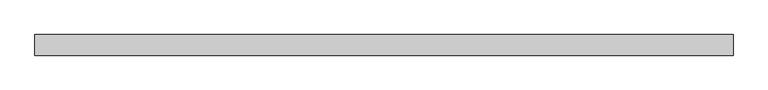
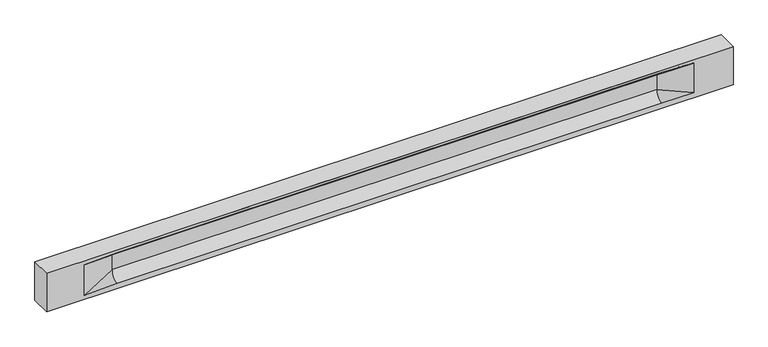
"""IFC4 building model written with IfcOpenShell, lengths in millimetres: beam geometry."""

import ifcopenshell
import ifcopenshell.guid

model = None  # the IFC model being written
_history = None  # IfcOwnerHistory: only IFC2X3 demands one
_inside = {}  # id of a spatial element -> (the spatial element, [elements in it])
_under = {}  # id of a project, library or spatial element -> (it, [spatial elements below it])
_declared = {}  # id of a project -> (the project, [libraries it declares])
_typed = {}  # id of a type object -> (the type object, [elements of that type])
_made_of = {}  # id of a material, layer set ... -> (it, [elements and type objects made of it])


def new_model(schema):
    """Start an empty IFC model of exactly this schema.

    Asked for "IFC4X3", IfcOpenShell would pick the latest addendum, in which some entities
    have other attributes; the version numbers below select the first issue.
    IFC2X3 requires an IfcOwnerHistory on every rooted entity: one is made here for all.
    """
    global model, _history
    if schema == "IFC4X3":
        model = ifcopenshell.file(schema_version=(4, 3, 0, 0))
    else:
        model = ifcopenshell.file(schema=schema)
    _inside.clear()
    _under.clear()
    _declared.clear()
    _typed.clear()
    _made_of.clear()
    _history = None
    if model.schema == "IFC2X3":
        org = make("IfcOrganization", Name="unknown")
        user = make(
            "IfcPersonAndOrganization",
            ThePerson=make("IfcPerson", FamilyName="unknown"),
            TheOrganization=org,
        )
        app = make(
            "IfcApplication",
            ApplicationDeveloper=org,
            Version="unknown",
            ApplicationFullName="unknown",
            ApplicationIdentifier="unknown",
        )
        _history = make(
            "IfcOwnerHistory",
            OwningUser=user,
            OwningApplication=app,
            ChangeAction="ADDED",
            CreationDate=0,
        )
    return model


def make(cls, **values):
    """One entity of the class cls with the attributes given. An attribute that is None is left unset."""
    return model.create_entity(
        cls, **{name: value for name, value in values.items() if value is not None}
    )


def rooted(cls, **values):
    """An entity with a GlobalId (a new one), such as an element, a storey or a relation."""
    return make(cls, GlobalId=ifcopenshell.guid.new(), OwnerHistory=_history, **values)


def si_unit(unit_type, name, prefix=None):
    """IfcSIUnit, for example si_unit("LENGTHUNIT", "METRE", prefix="MILLI")."""
    return make("IfcSIUnit", UnitType=unit_type, Prefix=prefix, Name=name)


def assignment(units):
    """IfcUnitAssignment: the units of a project."""
    return None if units is None else make("IfcUnitAssignment", Units=units)


def point(xyz):
    """IfcCartesianPoint."""
    return None if xyz is None else make("IfcCartesianPoint", Coordinates=xyz)


def direction(xyz):
    """IfcDirection."""
    return None if xyz is None else make("IfcDirection", DirectionRatios=xyz)


def frame(location, z_axis=None, x_axis=None):
    """IfcAxis2Placement3D, a coordinate frame: its origin and axes. An axis left out is left unset."""
    return make(
        "IfcAxis2Placement3D",
        Location=point(location),
        Axis=direction(z_axis),
        RefDirection=direction(x_axis),
    )


def origin():
    """The frame at (0, 0, 0) with its axes left unset."""
    return frame((0.0, 0.0, 0.0))


def place(relative_to, where):
    """IfcLocalPlacement: puts the frame where relative to a parent placement (None: the world)."""
    return make(
        "IfcLocalPlacement", PlacementRelTo=relative_to, RelativePlacement=where
    )


def context(
    kind, dimensions, precision=None, world=None, true_north=None, identifier=None
):
    """IfcGeometricRepresentationContext, for example the 3D "Model" context."""
    return make(
        "IfcGeometricRepresentationContext",
        ContextIdentifier=identifier,
        ContextType=kind,
        CoordinateSpaceDimension=dimensions,
        Precision=precision,
        WorldCoordinateSystem=world,
        TrueNorth=true_north,
    )


def project(units=None, contexts=None):
    """IfcProject with its units and contexts."""
    return rooted(
        "IfcProject",
        Name="project",
        RepresentationContexts=contexts,
        UnitsInContext=assignment(units),
    )


def spatial(cls, under=None, at=None, **own):
    """A site, building, storey or space (cls), placed at a placement, below another one or the project."""
    s = rooted(cls, ObjectPlacement=at, **own)
    if under is not None:
        _under.setdefault(under.id(), (under, []))[1].append(s)
    return s


def polyline(points):
    """IfcPolyline through the points."""
    return make("IfcPolyline", Points=[point(p) for p in points])


def circle_curve(where, radius):
    """IfcCircle in the frame where."""
    return make("IfcCircle", Position=where, Radius=radius)


def shape(context_of_items, identifier, shape_type, items):
    """IfcShapeRepresentation: the items that make up one representation, for example the "Body"."""
    return make(
        "IfcShapeRepresentation",
        ContextOfItems=context_of_items,
        RepresentationIdentifier=identifier,
        RepresentationType=shape_type,
        Items=items,
    )


def source(mapping_origin, context_of_items, identifier, shape_type, items):
    """IfcRepresentationMap: a shape defined once, which mapped items show again and again."""
    return make(
        "IfcRepresentationMap",
        MappingOrigin=mapping_origin,
        MappedRepresentation=shape(context_of_items, identifier, shape_type, items),
    )


def transform(
    local_origin,
    x_axis=None,
    y_axis=None,
    z_axis=None,
    scale=None,
    scale2=None,
    scale3=None,
    uniform=True,
):
    """IfcCartesianTransformationOperator3D, or its non-uniform kind. x_axis, y_axis, z_axis: its Axis1, 2, 3."""
    if uniform:
        return make(
            "IfcCartesianTransformationOperator3D",
            Axis1=direction(x_axis),
            Axis2=direction(y_axis),
            LocalOrigin=point(local_origin),
            Scale=scale,
            Axis3=direction(z_axis),
        )
    return make(
        "IfcCartesianTransformationOperator3DnonUniform",
        Axis1=direction(x_axis),
        Axis2=direction(y_axis),
        LocalOrigin=point(local_origin),
        Scale=scale,
        Axis3=direction(z_axis),
        Scale2=scale2,
        Scale3=scale3,
    )


def mapped(mapping_source, mapping_target):
    """IfcMappedItem: shows the shape of a source again, moved by a transform."""
    return make(
        "IfcMappedItem", MappingSource=mapping_source, MappingTarget=mapping_target
    )


def made_of(thing, what):
    """Note that an element or type object is made of a material, layer set ...; save() writes the relation."""
    if what is not None:
        _made_of.setdefault(what.id(), (what, []))[1].append(thing)
    return thing


def element(
    cls,
    number,
    at=None,
    inside=None,
    cuts=None,
    type_object=None,
    material=None,
    context=None,
    identifier="Body",
    shape_type=None,
    held_by="IfcProductDefinitionShape",
    body=None,
    shapes=None,
    **own,
):
    """One element of the class cls, such as IfcWall. Its Tag is "e" and its number.

    at: its placement. inside: the storey or other place that contains it. cuts: it is an
    opening in that element (IfcRelVoidsElement). A single representation is given by context,
    identifier, shape_type and body (its items); several are given by shapes. held_by: the class
    of the entity that holds the representations. save() writes the other relations.
    """
    e = rooted(cls, Tag="e%d" % number, ObjectPlacement=at, **own)
    if body is not None:
        shapes = [shape(context, identifier, shape_type, body)]
    if shapes is not None:
        e.Representation = make(held_by, Representations=shapes)
    if inside is not None:
        _inside.setdefault(inside.id(), (inside, []))[1].append(e)
    if cuts is not None:
        rooted(
            "IfcRelVoidsElement", RelatingBuildingElement=cuts, RelatedOpeningElement=e
        )
    if type_object is not None:
        _typed.setdefault(type_object.id(), (type_object, []))[1].append(e)
    return made_of(e, material)


def aggregate(whole, parts):
    """IfcRelAggregates: a whole, such as a stair, and the parts it consists of."""
    return rooted("IfcRelAggregates", RelatingObject=whole, RelatedObjects=parts)


def save(model, path):
    """Write the relations noted so far, then the file.

    IfcRelAggregates (storeys below a building ...), IfcRelContainedInSpatialStructure (elements
    in a storey), IfcRelDefinesByType, IfcRelAssociatesMaterial and IfcRelDeclares: one each for
    every whole, place, type object, material and project.
    """
    for whole, parts in _under.values():
        aggregate(whole, parts)
    for where, things in _inside.values():
        rooted(
            "IfcRelContainedInSpatialStructure",
            RelatedElements=things,
            RelatingStructure=where,
        )
    for kind, things in _typed.values():
        rooted("IfcRelDefinesByType", RelatedObjects=things, RelatingType=kind)
    for what, things in _made_of.values():
        rooted("IfcRelAssociatesMaterial", RelatedObjects=things, RelatingMaterial=what)
    for by, libraries in _declared.values():
        rooted("IfcRelDeclares", RelatingContext=by, RelatedDefinitions=libraries)
    model.write(path)


def plane_surface(at):
    """IfcPlane: the flat surface through the origin of the frame at, square to its z axis."""
    return make("IfcPlane", Position=at)


def revolved_surface(curve, axis_point, axis_direction):
    """IfcSurfaceOfRevolution: the curve turned about the line through axis_point along axis_direction."""
    return make(
        "IfcSurfaceOfRevolution",
        SweptCurve=make("IfcArbitraryOpenProfileDef", ProfileType="CURVE", Curve=curve),
        AxisPosition=make("IfcAxis1Placement", Location=point(axis_point), Axis=direction(axis_direction)),
    )


def spline_surface(u_degree, v_degree, points, u_multiplicities, v_multiplicities, u_knots, v_knots, weights=None):
    """IfcBSplineSurfaceWithKnots; with weights, IfcRationalBSplineSurfaceWithKnots. points: one row for each step in u."""
    own = dict(
        UDegree=u_degree,
        VDegree=v_degree,
        ControlPointsList=[[point(p) for p in row] for row in points],
        SurfaceForm="UNSPECIFIED",
        UClosed=False,
        VClosed=False,
        SelfIntersect=False,
        UMultiplicities=u_multiplicities,
        VMultiplicities=v_multiplicities,
        UKnots=u_knots,
        VKnots=v_knots,
        KnotSpec="UNSPECIFIED",
    )
    if weights is None:
        return make("IfcBSplineSurfaceWithKnots", **own)
    return make("IfcRationalBSplineSurfaceWithKnots", WeightsData=weights, **own)


def advanced_brep(points, edges, surfaces, faces):
    """IfcAdvancedBrep: a solid bounded by faces that lie on surfaces and meet in shared edges.

    An edge is (start, end): straight between two places in points (the first is 0);
    or (start, end, curve); or (start, end, curve, False) where it runs against its curve.
    A face is (place in surfaces, loops), or (place, loops, False) where it looks against
    its surface's normal. A loop lists edges by number (the first is 1), with a minus sign
    where the edge is run from its end to its start. The first loop is the outer one.
    """
    corners = [point(p) for p in points]
    vertices = [make("IfcVertexPoint", VertexGeometry=c) for c in corners]
    made = []
    for start, end, *more in edges:
        made.append(
            make(
                "IfcEdgeCurve",
                EdgeStart=vertices[start],
                EdgeEnd=vertices[end],
                EdgeGeometry=more[0] if more else make("IfcPolyline", Points=[corners[start], corners[end]]),
                SameSense=more[1] if len(more) > 1 else True,
            )
        )
    hull = []
    for where, loops, *sense in faces:
        bounds = []
        for j, loop in enumerate(loops):
            ring = [make("IfcOrientedEdge", EdgeElement=made[abs(k) - 1], Orientation=k > 0) for k in loop]
            bounds.append(
                make(
                    "IfcFaceOuterBound" if j == 0 else "IfcFaceBound",
                    Bound=make("IfcEdgeLoop", EdgeList=ring),
                    Orientation=True,
                )
            )
        hull.append(make("IfcAdvancedFace", Bounds=bounds, FaceSurface=surfaces[where], SameSense=sense[0] if sense else True))
    return make("IfcAdvancedBrep", Outer=make("IfcClosedShell", CfsFaces=hull))


def beam_54e67090(model_context):
    return source(origin(), model_context, "Body", "AdvancedBrep", [
        advanced_brep(
        [(8469.0, -250.0, 500.0), (8469.0, -250.0, -500.0), (8469.0, 250.0, -500.0), (8469.0, 250.0, 500.0), (-8469.0, -250.0, 500.0), (-8469.0, -250.0, -500.0), (7494.0, -250.0, -362.0), (6694.0, -250.0, -360.0), (-6739.0, -250.0, -360.0), (-7539.0, -250.0, -400.0), (-7539.0, -250.0, 400.0), (-6739.0, -250.0, 435.0), (6694.0, -250.0, 435.0), (7494.0, -250.0, 400.0), (-8469.0, 250.0, -500.0), (-8469.0, 250.0, 500.0), (7494.0, 250.0, 400.0), (6694.0, 250.0, 435.0), (-6739.0, 250.0, 435.0), (-7539.0, 250.0, 400.0), (-7539.0, 250.0, -400.0), (-6739.0, 250.0, -360.0), (6694.0, 250.0, -360.0), (7494.0, 250.0, -362.0), (6694.0, 155.0, 405.0), (-6739.0, 155.0, 405.0), (6694.0, 60.0, 262.777021), (-6739.0, 60.0, 262.777021), (6694.0, 60.0, -120.0), (-6739.0, 60.0, -120.0), (6694.0, -60.0, -120.0), (-6739.0, -60.0, -120.0), (6694.0, -60.0, 262.777021), (-6739.0, -60.0, 262.777021), (6694.0, -155.0, 405.0), (-6739.0, -155.0, 405.0)],
        [
            (0, 1),
            (1, 2),
            (2, 3),
            (3, 0),
            (0, 4),
            (4, 5),
            (5, 1),
            (6, 7),
            (7, 8),
            (8, 9),
            (9, 10),
            (10, 11),
            (11, 12),
            (12, 13),
            (13, 6),
            (5, 14),
            (14, 2),
            (14, 15),
            (15, 3),
            (16, 17),
            (17, 18),
            (18, 19),
            (19, 20),
            (20, 21),
            (21, 22),
            (22, 23),
            (23, 16),
            (15, 4),
            (17, 24),
            (24, 25),
            (25, 18),
            (24, 26, circle_curve(frame((6694.0, 213.9598725, 262.777021), z_axis=(1.0, 0.0, 0.0), x_axis=(0.0, 1.0, 0.0)), 153.9598725)),
            (26, 27),
            (27, 25, circle_curve(frame((-6739.0, 213.9598725, 262.777021), z_axis=(-1.0, 0.0, 0.0), x_axis=(0.0, 1.0, 0.0)), 153.9598725)),
            (26, 28),
            (28, 29),
            (29, 27),
            (28, 22, circle_curve(frame((6694.0, 306.5789474, -120.0), z_axis=(1.0, 0.0, 0.0), x_axis=(0.0, 1.0, 0.0)), 246.5789474)),
            (21, 29, circle_curve(frame((-6739.0, 306.5789474, -120.0), z_axis=(-1.0, 0.0, 0.0), x_axis=(0.0, 1.0, 0.0)), 246.5789474)),
            (7, 30, circle_curve(frame((6694.0, -306.5789474, -120.0), z_axis=(1.0, 0.0, 0.0), x_axis=(0.0, 1.0, 0.0)), 246.5789474)),
            (30, 31),
            (31, 8, circle_curve(frame((-6739.0, -306.5789474, -120.0), z_axis=(-1.0, 0.0, 0.0), x_axis=(0.0, 1.0, 0.0)), 246.5789474)),
            (30, 32),
            (32, 33),
            (33, 31),
            (32, 34, circle_curve(frame((6694.0, -213.9598725, 262.777021), z_axis=(1.0, 0.0, 0.0), x_axis=(0.0, 1.0, 0.0)), 153.9598725)),
            (34, 35),
            (35, 33, circle_curve(frame((-6739.0, -213.9598725, 262.777021), z_axis=(-1.0, 0.0, 0.0), x_axis=(0.0, 1.0, 0.0)), 153.9598725)),
            (34, 12),
            (11, 35),
            (27, 19),
            (19, 25),
            (10, 35),
            (10, 33),
            (9, 31),
            (20, 29),
            (34, 13),
            (32, 13),
            (30, 6),
            (28, 23),
            (26, 16),
            (24, 16),
        ],
        [
            plane_surface(frame((8469.0, 0.0, 0.0), z_axis=(1.0, 0.0, 0.0), x_axis=(0.0, 0.0, 1.0))),
            plane_surface(frame((8469.0, -250.0, 500.0), z_axis=(0.0, -1.0, 0.0), x_axis=(-1.0, 0.0, 0.0))),
            plane_surface(frame((8469.0, -250.0, -500.0), z_axis=(0.0, 0.0, -1.0), x_axis=(-1.0, 0.0, 0.0))),
            plane_surface(frame((8469.0, 250.0, -500.0), z_axis=(0.0, 1.0, 0.0), x_axis=(-1.0, 0.0, 0.0))),
            plane_surface(frame((8469.0, 250.0, 500.0), z_axis=(0.0, 0.0, 1.0), x_axis=(-1.0, 0.0, 0.0))),
            plane_surface(frame((-6739.0, 250.0, 435.0), z_axis=(0.0, 0.30113136793710954, -0.9535826651341378), x_axis=(1.0, 0.0, 0.0))),
            revolved_surface(polyline([(6694.0, 367.919745, 262.777021), (-6739.0, 367.919745, 262.777021)]), (-6739.0, 213.9598725, 262.777021), (1.0, 0.0, 0.0)),
            plane_surface(frame((-6739.0, 60.0, 262.777021), z_axis=(0.0, 1.0, 0.0), x_axis=(1.0, 0.0, 0.0))),
            revolved_surface(polyline([(6694.0, 553.1578948, -120.0), (-6739.0, 553.1578948, -120.0)]), (-6739.0, 306.5789474, -120.0), (1.0, 0.0, 0.0)),
            revolved_surface(polyline([(6694.0, -60.0, -120.0), (-6739.0, -60.0, -120.0)]), (-6739.0, -306.5789474, -120.0), (1.0, 0.0, 0.0)),
            plane_surface(frame((-6739.0, -60.0, -120.0), z_axis=(0.0, -1.0, 0.0), x_axis=(1.0, 0.0, 0.0))),
            revolved_surface(polyline([(6694.0, -60.0, 262.777021), (-6739.0, -60.0, 262.777021)]), (-6739.0, -213.9598725, 262.777021), (1.0, 0.0, 0.0)),
            plane_surface(frame((-6739.0, -155.0, 405.0), z_axis=(0.0, -0.30113136793710693, -0.9535826651341387), x_axis=(1.0, 0.0, 0.0))),
            spline_surface(2, 1, [[(-7539.0, 250.0, 400.0), (-6739.0, 60.0, 262.777021)], [(-7539.0, 250.0, 400.0), (-6739.0, 59.99999995452379, 365.6168572954922)], [(-7539.0, 250.0, 400.0), (-6739.0, 155.0, 405.0)]], [3, 3], [2, 2], [0.0, 1.0], [0.0, 1.0], weights=[[1.0, 1.0], [0.8315515921160737, 0.8315515921160737], [1.0, 1.0]]),
            plane_surface(frame((-7539.0, 250.0, 400.0), z_axis=(0.041682982855687487, 0.30086965068766386, -0.9527538938442265), x_axis=(0.0, 0.9535826651341378, 0.30113136793710954))),
            plane_surface(frame((-7539.0, -250.0, 400.0), z_axis=(0.041682982855687514, -0.30086965068766125, -0.9527538938442274), x_axis=(0.0, 0.9535826651341387, -0.30113136793710693))),
            spline_surface(2, 1, [[(-7539.0, -250.0, 400.0), (-6739.0, -155.0, 405.0)], [(-7539.0, -250.0, 400.0), (-6739.0, -60.00000008030692, 365.6168572114734)], [(-7539.0, -250.0, 400.0), (-6739.0, -60.0, 262.777021)]], [3, 3], [2, 2], [0.0, 1.0], [0.0, 1.0], weights=[[1.0, 1.0], [0.8315515924557569, 0.8315515924557569], [1.0, 1.0]]),
            plane_surface(frame((-7539.0, -250.0, 0.0), z_axis=(0.23107243079589818, -0.97293655071956, 0.0), x_axis=(0.0, 0.0, -1.0))),
            spline_surface(2, 1, [[(-7539.0, -250.0, -400.0), (-6739.0, -60.0, -120.0)], [(-7539.0, -250.0, -400.0), (-6739.0, -59.99999998020837, -315.20833333333337)], [(-7539.0, -250.0, -400.0), (-6739.0, -250.0, -360.0)]], [3, 3], [2, 2], [0.0, 1.0], [0.0, 1.0], weights=[[1.0, 1.0], [0.7840458244617614, 0.7840458244617614], [1.0, 1.0]]),
            spline_surface(2, 1, [[(-7539.0, 250.0, -400.0), (-6739.0, 250.0, -360.0)], [(-7539.0, 250.0, -400.0), (-6739.0, 60.00000002887427, -315.20833329480604)], [(-7539.0, 250.0, -400.0), (-6739.0, 60.0, -120.0)]], [3, 3], [2, 2], [0.0, 1.0], [0.0, 1.0], weights=[[1.0, 1.0], [0.7840458245391329, 0.7840458245391329], [1.0, 1.0]]),
            plane_surface(frame((-7539.0, 250.0, 0.0), z_axis=(0.23107243079589385, 0.972936550719561, 0.0), x_axis=(0.0, 0.0, 1.0))),
            plane_surface(frame((-8469.0, 0.0, 0.0), z_axis=(-1.0, 0.0, 0.0), x_axis=(0.0, 0.0, 1.0))),
            plane_surface(frame((6694.0, -202.5, 420.0), z_axis=(-0.04168298285568746, -0.30086965068766125, -0.9527538938442274), x_axis=(0.0, 0.9535826651341387, -0.30113136793710693))),
            spline_surface(2, 1, [[(6694.0, -155.0, 405.0), (7494.0, -250.0, 400.0)], [(6694.0, -60.00000008030692, 365.6168572114734), (7494.0, -250.0, 400.0)], [(6694.0, -60.0, 262.777021), (7494.0, -250.0, 400.0)]], [3, 3], [2, 2], [0.0, 1.0], [0.0, 1.0], weights=[[1.0, 1.0], [0.8315515924557569, 0.8315515924557569], [1.0, 1.0]]),
            plane_surface(frame((6694.0, -60.0, 71.3885105), z_axis=(-0.23107243079589737, -0.9729365507195602, 0.0), x_axis=(0.0, 0.0, -1.0))),
            spline_surface(2, 1, [[(6694.0, -60.0, -120.0), (7494.0, -250.0, -362.0)], [(6694.0, -59.99999998020837, -315.20833333333337), (7494.0, -250.0, -362.0)], [(6694.0, -250.0, -360.0), (7494.0, -250.0, -362.0)]], [3, 3], [2, 2], [0.0, 1.0], [0.0, 1.0], weights=[[1.0, 1.0], [0.7840458244617614, 0.7840458244617614], [1.0, 1.0]]),
            spline_surface(2, 1, [[(6694.0, 250.0, -360.0), (7494.0, 250.0, -362.0)], [(6694.0, 60.00000002887427, -315.20833329480604), (7494.0, 250.0, -362.0)], [(6694.0, 60.0, -120.0), (7494.0, 250.0, -362.0)]], [3, 3], [2, 2], [0.0, 1.0], [0.0, 1.0], weights=[[1.0, 1.0], [0.7840458245391329, 0.7840458245391329], [1.0, 1.0]]),
            plane_surface(frame((6694.0, 60.0, 71.3885105), z_axis=(-0.23107243079589093, 0.9729365507195618, 0.0), x_axis=(0.0, 0.0, 1.0))),
            spline_surface(2, 1, [[(6694.0, 60.0, 262.777021), (7494.0, 250.0, 400.0)], [(6694.0, 59.99999995452379, 365.6168572954922), (7494.0, 250.0, 400.0)], [(6694.0, 155.0, 405.0), (7494.0, 250.0, 400.0)]], [3, 3], [2, 2], [0.0, 1.0], [0.0, 1.0], weights=[[1.0, 1.0], [0.8315515921160737, 0.8315515921160737], [1.0, 1.0]]),
            plane_surface(frame((6694.0, 202.5, 420.0), z_axis=(-0.04168298285568672, 0.30086965068766386, -0.9527538938442265), x_axis=(0.0, 0.9535826651341378, 0.30113136793710954))),
        ],
        [
            (0, [[1, 2, 3, 4]]),
            (1, [[-1, 5, 6, 7], [8, 9, 10, 11, 12, 13, 14, 15]]),
            (2, [[-2, -7, 16, 17]]),
            (3, [[-3, -17, 18, 19], [20, 21, 22, 23, 24, 25, 26, 27]]),
            (4, [[-5, -4, -19, 28]]),
            (5, [[-21, 29, 30, 31]]),
            (6, [[-30, 32, 33, 34]]),
            (7, [[-33, 35, 36, 37]]),
            (8, [[-36, 38, -25, 39]]),
            (9, [[-9, 40, 41, 42]]),
            (10, [[-41, 43, 44, 45]]),
            (11, [[-44, 46, 47, 48]]),
            (12, [[-47, 49, -13, 50]]),
            (13, [[51, 52, -34]]),
            (14, [[-52, -22, -31]]),
            (15, [[-12, 53, -50]]),
            (16, [[-53, 54, -48]]),
            (17, [[-54, -11, 55, -45]]),
            (18, [[-55, -10, -42]]),
            (19, [[-24, 56, -39]]),
            (20, [[-51, -37, -56, -23]]),
            (21, [[-28, -18, -16, -6]]),
            (22, [[-14, -49, 57]]),
            (23, [[-57, -46, 58]]),
            (24, [[-58, -43, 59, -15]]),
            (25, [[-59, -40, -8]]),
            (26, [[-26, -38, 60]]),
            (27, [[-60, -35, 61, -27]]),
            (28, [[-61, -32, 62]]),
            (29, [[-62, -29, -20]]),
        ],
    ),
    ])


if __name__ == "__main__":
    model = new_model("IFC4")
    model_context = context("Model", 3, world=origin())
    ifc_project = project(units=[si_unit("LENGTHUNIT", "METRE", prefix="MILLI")], contexts=[model_context])
    site = spatial("IfcSite", under=ifc_project)
    building = spatial("IfcBuilding", under=site)
    placement = place(None, origin())
    beam_shape = beam_54e67090(model_context)
    element("IfcBeam", 1, at=placement, inside=building, context=model_context, shape_type="MappedRepresentation", body=[
        mapped(beam_shape, transform((0.0, 0.0, 0.0), x_axis=(1.0, 0.0, 0.0), y_axis=(0.0, 1.0, 0.0), z_axis=(0.0, 0.0, 1.0))),
    ])
    save(model, "model.ifc")
